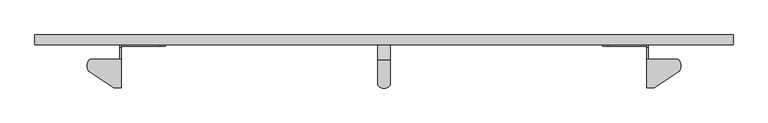
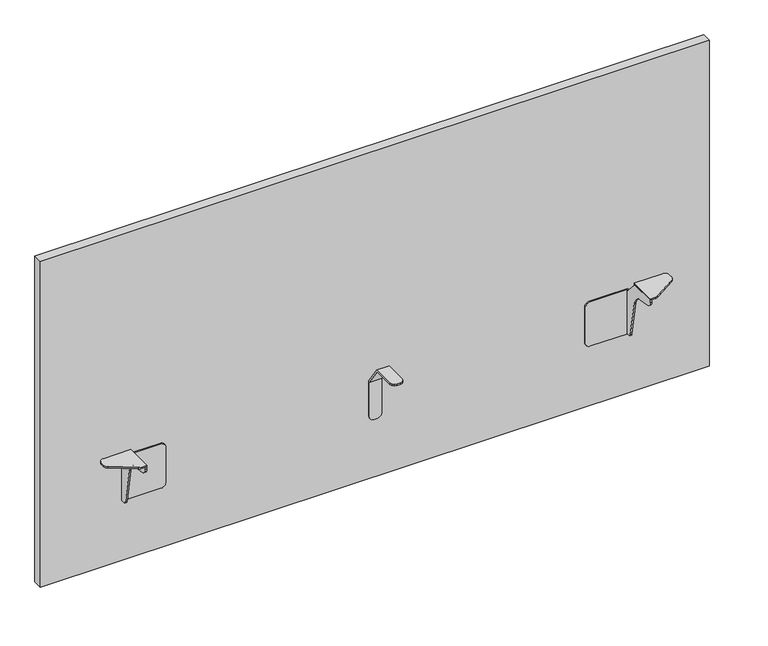
"""IFC4 building model written with IfcOpenShell, lengths in millimetres: furniture geometry."""

import ifcopenshell
import ifcopenshell.guid

model = None  # the IFC model being written
_history = None  # IfcOwnerHistory: only IFC2X3 demands one
_inside = {}  # id of a spatial element -> (the spatial element, [elements in it])
_under = {}  # id of a project, library or spatial element -> (it, [spatial elements below it])
_declared = {}  # id of a project -> (the project, [libraries it declares])
_typed = {}  # id of a type object -> (the type object, [elements of that type])
_made_of = {}  # id of a material, layer set ... -> (it, [elements and type objects made of it])


def new_model(schema):
    """Start an empty IFC model of exactly this schema.

    Asked for "IFC4X3", IfcOpenShell would pick the latest addendum, in which some entities
    have other attributes; the version numbers below select the first issue.
    IFC2X3 requires an IfcOwnerHistory on every rooted entity: one is made here for all.
    """
    global model, _history
    if schema == "IFC4X3":
        model = ifcopenshell.file(schema_version=(4, 3, 0, 0))
    else:
        model = ifcopenshell.file(schema=schema)
    _inside.clear()
    _under.clear()
    _declared.clear()
    _typed.clear()
    _made_of.clear()
    _history = None
    if model.schema == "IFC2X3":
        org = make("IfcOrganization", Name="unknown")
        user = make(
            "IfcPersonAndOrganization",
            ThePerson=make("IfcPerson", FamilyName="unknown"),
            TheOrganization=org,
        )
        app = make(
            "IfcApplication",
            ApplicationDeveloper=org,
            Version="unknown",
            ApplicationFullName="unknown",
            ApplicationIdentifier="unknown",
        )
        _history = make(
            "IfcOwnerHistory",
            OwningUser=user,
            OwningApplication=app,
            ChangeAction="ADDED",
            CreationDate=0,
        )
    return model


def make(cls, **values):
    """One entity of the class cls with the attributes given. An attribute that is None is left unset."""
    return model.create_entity(
        cls, **{name: value for name, value in values.items() if value is not None}
    )


def rooted(cls, **values):
    """An entity with a GlobalId (a new one), such as an element, a storey or a relation."""
    return make(cls, GlobalId=ifcopenshell.guid.new(), OwnerHistory=_history, **values)


def si_unit(unit_type, name, prefix=None):
    """IfcSIUnit, for example si_unit("LENGTHUNIT", "METRE", prefix="MILLI")."""
    return make("IfcSIUnit", UnitType=unit_type, Prefix=prefix, Name=name)


def assignment(units):
    """IfcUnitAssignment: the units of a project."""
    return None if units is None else make("IfcUnitAssignment", Units=units)


def point(xyz):
    """IfcCartesianPoint."""
    return None if xyz is None else make("IfcCartesianPoint", Coordinates=xyz)


def direction(xyz):
    """IfcDirection."""
    return None if xyz is None else make("IfcDirection", DirectionRatios=xyz)


def frame(location, z_axis=None, x_axis=None):
    """IfcAxis2Placement3D, a coordinate frame: its origin and axes. An axis left out is left unset."""
    return make(
        "IfcAxis2Placement3D",
        Location=point(location),
        Axis=direction(z_axis),
        RefDirection=direction(x_axis),
    )


def frame_2d(location, x_axis=None):
    """IfcAxis2Placement2D, a coordinate frame in the plane: its origin and x axis."""
    return make(
        "IfcAxis2Placement2D", Location=point(location), RefDirection=direction(x_axis)
    )


def origin():
    """The frame at (0, 0, 0) with its axes left unset."""
    return frame((0.0, 0.0, 0.0))


def place(relative_to, where):
    """IfcLocalPlacement: puts the frame where relative to a parent placement (None: the world)."""
    return make(
        "IfcLocalPlacement", PlacementRelTo=relative_to, RelativePlacement=where
    )


def context(
    kind, dimensions, precision=None, world=None, true_north=None, identifier=None
):
    """IfcGeometricRepresentationContext, for example the 3D "Model" context."""
    return make(
        "IfcGeometricRepresentationContext",
        ContextIdentifier=identifier,
        ContextType=kind,
        CoordinateSpaceDimension=dimensions,
        Precision=precision,
        WorldCoordinateSystem=world,
        TrueNorth=true_north,
    )


def project(units=None, contexts=None):
    """IfcProject with its units and contexts."""
    return rooted(
        "IfcProject",
        Name="project",
        RepresentationContexts=contexts,
        UnitsInContext=assignment(units),
    )


def spatial(cls, under=None, at=None, **own):
    """A site, building, storey or space (cls), placed at a placement, below another one or the project."""
    s = rooted(cls, ObjectPlacement=at, **own)
    if under is not None:
        _under.setdefault(under.id(), (under, []))[1].append(s)
    return s


def polyline(points):
    """IfcPolyline through the points."""
    return make("IfcPolyline", Points=[point(p) for p in points])


def circle_curve(where, radius):
    """IfcCircle in the frame where."""
    return make("IfcCircle", Position=where, Radius=radius)


def trimmed(basis, trim1, trim2, sense, master):
    """IfcTrimmedCurve: the piece of a basis curve between two trims."""
    return make(
        "IfcTrimmedCurve",
        BasisCurve=basis,
        Trim1=trim1,
        Trim2=trim2,
        SenseAgreement=sense,
        MasterRepresentation=master,
    )


def segment(curve, same_sense, transition):
    """IfcCompositeCurveSegment."""
    return make(
        "IfcCompositeCurveSegment",
        Transition=transition,
        SameSense=same_sense,
        ParentCurve=curve,
    )


def composite_curve(segments, self_intersect=None):
    """IfcCompositeCurve: segments joined end to end."""
    return make("IfcCompositeCurve", Segments=segments, SelfIntersect=self_intersect)


def outline(outer, holes=None, kind="AREA"):
    """IfcArbitraryClosedProfileDef: a profile drawn as a closed curve; with holes, ...WithVoids."""
    if holes is None:
        return make("IfcArbitraryClosedProfileDef", ProfileType=kind, OuterCurve=outer)
    return make(
        "IfcArbitraryProfileDefWithVoids",
        ProfileType=kind,
        OuterCurve=outer,
        InnerCurves=holes,
    )


def extrude(swept, where, along, depth):
    """IfcExtrudedAreaSolid: the profile swept, set in the frame where, extruded along a direction by depth."""
    return make(
        "IfcExtrudedAreaSolid",
        SweptArea=swept,
        Position=where,
        ExtrudedDirection=direction(along),
        Depth=depth,
    )


def faces_of(points, faces, orient=None, outer=None):
    """IfcFace entities. A face is a list of loops; a loop is a list of indices into points, from 0.

    orient and outer hold one flag for each loop. By default every Orientation is true, the
    first loop of a face is its IfcFaceOuterBound and the others are IfcFaceBound.
    """
    made = []
    for i, loops in enumerate(faces):
        bounds = []
        for j, loop in enumerate(loops):
            is_outer = j == 0 if outer is None else outer[i][j]
            bounds.append(
                make(
                    "IfcFaceOuterBound" if is_outer else "IfcFaceBound",
                    Bound=make("IfcPolyLoop", Polygon=[points[k] for k in loop]),
                    Orientation=True if orient is None else orient[i][j],
                )
            )
        made.append(make("IfcFace", Bounds=bounds))
    return made


def faceted_brep(points, faces, orient=None, outer=None, voids=None):
    """IfcFacetedBrep: a solid bounded by flat faces; with voids (closed shells), ...WithVoids."""
    shared = [point(p) for p in points]
    hull = make("IfcClosedShell", CfsFaces=faces_of(shared, faces, orient, outer))
    if voids is None:
        return make("IfcFacetedBrep", Outer=hull)
    return make(
        "IfcFacetedBrepWithVoids",
        Outer=hull,
        Voids=[
            make(cls, CfsFaces=faces_of(shared, fs, o, b)) for cls, fs, o, b in voids
        ],
    )


def shape(context_of_items, identifier, shape_type, items):
    """IfcShapeRepresentation: the items that make up one representation, for example the "Body"."""
    return make(
        "IfcShapeRepresentation",
        ContextOfItems=context_of_items,
        RepresentationIdentifier=identifier,
        RepresentationType=shape_type,
        Items=items,
    )


def source(mapping_origin, context_of_items, identifier, shape_type, items):
    """IfcRepresentationMap: a shape defined once, which mapped items show again and again."""
    return make(
        "IfcRepresentationMap",
        MappingOrigin=mapping_origin,
        MappedRepresentation=shape(context_of_items, identifier, shape_type, items),
    )


def transform(
    local_origin,
    x_axis=None,
    y_axis=None,
    z_axis=None,
    scale=None,
    scale2=None,
    scale3=None,
    uniform=True,
):
    """IfcCartesianTransformationOperator3D, or its non-uniform kind. x_axis, y_axis, z_axis: its Axis1, 2, 3."""
    if uniform:
        return make(
            "IfcCartesianTransformationOperator3D",
            Axis1=direction(x_axis),
            Axis2=direction(y_axis),
            LocalOrigin=point(local_origin),
            Scale=scale,
            Axis3=direction(z_axis),
        )
    return make(
        "IfcCartesianTransformationOperator3DnonUniform",
        Axis1=direction(x_axis),
        Axis2=direction(y_axis),
        LocalOrigin=point(local_origin),
        Scale=scale,
        Axis3=direction(z_axis),
        Scale2=scale2,
        Scale3=scale3,
    )


def mapped(mapping_source, mapping_target):
    """IfcMappedItem: shows the shape of a source again, moved by a transform."""
    return make(
        "IfcMappedItem", MappingSource=mapping_source, MappingTarget=mapping_target
    )


def made_of(thing, what):
    """Note that an element or type object is made of a material, layer set ...; save() writes the relation."""
    if what is not None:
        _made_of.setdefault(what.id(), (what, []))[1].append(thing)
    return thing


def element(
    cls,
    number,
    at=None,
    inside=None,
    cuts=None,
    type_object=None,
    material=None,
    context=None,
    identifier="Body",
    shape_type=None,
    held_by="IfcProductDefinitionShape",
    body=None,
    shapes=None,
    **own,
):
    """One element of the class cls, such as IfcWall. Its Tag is "e" and its number.

    at: its placement. inside: the storey or other place that contains it. cuts: it is an
    opening in that element (IfcRelVoidsElement). A single representation is given by context,
    identifier, shape_type and body (its items); several are given by shapes. held_by: the class
    of the entity that holds the representations. save() writes the other relations.
    """
    e = rooted(cls, Tag="e%d" % number, ObjectPlacement=at, **own)
    if body is not None:
        shapes = [shape(context, identifier, shape_type, body)]
    if shapes is not None:
        e.Representation = make(held_by, Representations=shapes)
    if inside is not None:
        _inside.setdefault(inside.id(), (inside, []))[1].append(e)
    if cuts is not None:
        rooted(
            "IfcRelVoidsElement", RelatingBuildingElement=cuts, RelatedOpeningElement=e
        )
    if type_object is not None:
        _typed.setdefault(type_object.id(), (type_object, []))[1].append(e)
    return made_of(e, material)


def aggregate(whole, parts):
    """IfcRelAggregates: a whole, such as a stair, and the parts it consists of."""
    return rooted("IfcRelAggregates", RelatingObject=whole, RelatedObjects=parts)


def save(model, path):
    """Write the relations noted so far, then the file.

    IfcRelAggregates (storeys below a building ...), IfcRelContainedInSpatialStructure (elements
    in a storey), IfcRelDefinesByType, IfcRelAssociatesMaterial and IfcRelDeclares: one each for
    every whole, place, type object, material and project.
    """
    for whole, parts in _under.values():
        aggregate(whole, parts)
    for where, things in _inside.values():
        rooted(
            "IfcRelContainedInSpatialStructure",
            RelatedElements=things,
            RelatingStructure=where,
        )
    for kind, things in _typed.values():
        rooted("IfcRelDefinesByType", RelatedObjects=things, RelatingType=kind)
    for what, things in _made_of.values():
        rooted("IfcRelAssociatesMaterial", RelatedObjects=things, RelatingMaterial=what)
    for by, libraries in _declared.values():
        rooted("IfcRelDeclares", RelatingContext=by, RelatedDefinitions=libraries)
    model.write(path)


def furniture_47e15629(model_context):
    return source(origin(), model_context, "Body", "SolidModel", [
        faceted_brep([(698.5, -6.7419213, 706.0530516), (698.5, 20.9540671, 666.7334835), (698.5, 20.9540671, 592.4389286), (698.5, 24.003127, 592.4389286), (698.5, 24.003127, 666.7319778), (698.5, -5.6640728, 709.1010487), (698.5, -51.4347833, 709.1010487), (698.5, -51.4347833, 706.0530516), (673.1, -5.6640728, 709.1010487), (673.1, 24.003127, 666.7319778), (673.1, 24.003127, 592.4388382), (673.1, 20.9540671, 592.4388382), (673.1, 20.9540671, 666.7334835), (673.1, -6.7419213, 706.0530516), (673.1, -51.4348737, 706.0530516), (673.1, -51.4348737, 709.1010487), (697.2238909, -56.1973737, 706.0530516), (693.7374758, -59.6837661, 706.0530516), (688.9749758, -60.9598737, 706.0530516), (682.625, -60.9598737, 706.0530516), (677.8625, -59.6837661, 706.0530516), (674.3760849, -56.1973737, 706.0530516), (674.3760849, 20.9540671, 587.6763382), (677.8625, 20.9540671, 584.1899594), (682.625, 20.9540671, 582.9138382), (688.9749758, 20.9540671, 582.9138382), (693.7374758, 20.9540671, 584.1899594), (697.2238909, 20.9540671, 587.6763382), (682.625, 24.003127, 582.9138382), (688.9749758, 24.003127, 582.9138382), (697.2238909, 24.003127, 587.6763382), (693.7374758, 24.003127, 584.1899594), (677.8625, 24.003127, 584.1899594), (674.3760849, 24.003127, 587.6763382), (674.3760849, -56.1973737, 709.1010487), (677.8625, -59.6837661, 709.1010487), (682.625, -60.9598737, 709.1010487), (688.9749758, -60.9598737, 709.1010487), (693.7374758, -59.6837661, 709.1010487), (697.2238909, -56.1973737, 709.1010487)], [[[0, 1, 2, 3, 4, 5, 6, 7]], [[8, 9, 10, 11, 12, 13, 14, 15]], [[13, 0, 7, 16, 17, 18, 19, 20, 21, 14]], [[1, 0, 13, 12]], [[1, 12, 11, 22, 23, 24, 25, 26, 27, 2]], [[25, 24, 28, 29]], [[9, 4, 3, 30, 31, 29, 28, 32, 33, 10]], [[5, 4, 9, 8]], [[5, 8, 15, 34, 35, 36, 37, 38, 39, 6]], [[19, 18, 37, 36]], [[21, 34, 15, 14]], [[35, 20, 19, 36]], [[34, 21, 20, 35]], [[17, 38, 37, 18]], [[39, 16, 7, 6]], [[38, 17, 16, 39]], [[23, 32, 28, 24]], [[32, 23, 22, 33]], [[33, 22, 11, 10]], [[27, 30, 3, 2]], [[30, 27, 26, 31]], [[31, 26, 25, 29]]]),
        extrude(outline(composite_curve([segment(polyline([(-60.8339321, 709.2562472), (-4.1919336, 709.2562472), (-4.1919336, 707.2242492), (18.9220668, 682.3322366), (24.003127, 682.3322366), (24.003127, 587.0822366), (15.8683294, 587.0822366)]), True, "CONTINUOUS"), segment(trimmed(circle_curve(frame_2d((15.8683294, 593.4322163)), 6.3499797), [point((15.8683294, 587.0822366))], [point((9.6148201, 592.3295544))], False, "CARTESIAN"), True, "CONTINUOUS"), segment(polyline([(9.6148201, 592.3295544), (-3.5416378, 666.9435683)]), True, "CONTINUOUS"), segment(trimmed(circle_curve(frame_2d((-29.1889257, 662.4212615)), 26.0429383), [point((-3.5416378, 666.9435683))], [point((-14.6259011, 684.011837))], True, "CARTESIAN"), True, "CONTINUOUS"), segment(trimmed(circle_curve(frame_2d((-29.0414704, 659.7783234)), 28.197018), [point((-14.6259011, 684.011837))], [point((-24.1450901, 687.5469619))], True, "CARTESIAN"), True, "CONTINUOUS"), segment(polyline([(-24.1450901, 687.5469619), (-50.3392461, 692.1657174)]), True, "CONTINUOUS"), segment(trimmed(circle_curve(frame_2d((-48.1338998, 704.6728061)), 12.7000323), [point((-50.3392461, 692.1657174))], [point((-60.8339321, 704.6728061))], False, "CARTESIAN"), True, "CONTINUOUS"), segment(polyline([(-60.8339321, 704.6728061), (-60.8339321, 709.2562472)]), True, "CONTINUOUS")], self_intersect=False)), frame((1200.8612, 0.0, 0.0), z_axis=(1.0, 0.0, 0.0), x_axis=(0.0, 1.0, 0.0)), (0.0, 0.0, 1.0), 3.0479971),
        extrude(outline(composite_curve([segment(polyline([(587.0822366, 1200.8612), (682.3322366, 1200.8612), (682.3322366, 1124.534191)]), True, "CONTINUOUS"), segment(trimmed(circle_curve(frame_2d((672.8072366, 1124.534191)), 9.525), [point((682.3322366, 1124.534191))], [point((672.8072366, 1115.009191))], False, "CARTESIAN"), True, "CONTINUOUS"), segment(polyline([(672.8072366, 1115.009191), (596.6072366, 1115.009191)]), True, "CONTINUOUS"), segment(trimmed(circle_curve(frame_2d((596.6072366, 1124.534191)), 9.525), [point((596.6072366, 1115.009191))], [point((587.0822366, 1124.534191))], False, "CARTESIAN"), True, "CONTINUOUS"), segment(polyline([(587.0822366, 1124.534191), (587.0822366, 1200.8612)]), True, "CONTINUOUS")], self_intersect=False)), frame((0.0, 20.9540671, 0.0), z_axis=(0.0, 1.0, 0.0), x_axis=(0.0, 0.0, 1.0)), (0.0, 0.0, 1.0), 3.0490599),
        extrude(outline(composite_curve([segment(polyline([(1200.8612, -4.1919336), (1257.630191, -4.1919336)]), True, "CONTINUOUS"), segment(trimmed(circle_curve(frame_2d((1257.630191, -13.7169339)), 9.5250003), [point((1257.630191, -4.1919336))], [point((1267.1551913, -13.7169339))], False, "CARTESIAN"), True, "CONTINUOUS"), segment(polyline([(1267.1551913, -13.7169339), (1267.1551913, -21.0834674)]), True, "CONTINUOUS"), segment(trimmed(circle_curve(frame_2d((1257.6301926, -21.0834674)), 9.5249987), [point((1267.1551913, -21.0834674))], [point((1262.8873912, -29.026229))], False, "CARTESIAN"), True, "CONTINUOUS"), segment(polyline([(1262.8873912, -29.026229), (1217.2216839, -59.2516977)]), True, "CONTINUOUS"), segment(trimmed(circle_curve(frame_2d((1211.9644939, -51.308949)), 9.5249831), [point((1217.2216839, -59.2516977))], [point((1211.9644939, -60.8339321))], False, "CARTESIAN"), True, "CONTINUOUS"), segment(polyline([(1211.9644939, -60.8339321), (1200.8612, -60.8339321), (1200.8612, -4.1919336)]), True, "CONTINUOUS")], self_intersect=False)), frame((0.0, 0.0, 709.2562472), z_axis=(0.0, 0.0, 1.0), x_axis=(1.0, 0.0, 0.0)), (0.0, 0.0, 1.0), 3.0479971),
        extrude(outline(composite_curve([segment(polyline([(-60.8339321, 709.2562472), (-4.1919336, 709.2562472), (-4.1919336, 707.2242492), (18.9220668, 682.3322366), (24.003127, 682.3322366), (24.003127, 587.0822366), (15.8683294, 587.0822366)]), True, "CONTINUOUS"), segment(trimmed(circle_curve(frame_2d((15.8683294, 593.4322163)), 6.3499797), [point((15.8683294, 587.0822366))], [point((9.6148201, 592.3295544))], False, "CARTESIAN"), True, "CONTINUOUS"), segment(polyline([(9.6148201, 592.3295544), (-3.5416378, 666.9435683)]), True, "CONTINUOUS"), segment(trimmed(circle_curve(frame_2d((-29.1889257, 662.4212615)), 26.0429383), [point((-3.5416378, 666.9435683))], [point((-14.6259011, 684.011837))], True, "CARTESIAN"), True, "CONTINUOUS"), segment(trimmed(circle_curve(frame_2d((-29.0414704, 659.7783234)), 28.197018), [point((-14.6259011, 684.011837))], [point((-24.1450901, 687.5469619))], True, "CARTESIAN"), True, "CONTINUOUS"), segment(polyline([(-24.1450901, 687.5469619), (-50.3392461, 692.1657174)]), True, "CONTINUOUS"), segment(trimmed(circle_curve(frame_2d((-48.1338998, 704.6728061)), 12.7000323), [point((-50.3392461, 692.1657174))], [point((-60.8339321, 704.6728061))], False, "CARTESIAN"), True, "CONTINUOUS"), segment(polyline([(-60.8339321, 704.6728061), (-60.8339321, 709.2562472)]), True, "CONTINUOUS")], self_intersect=False)), frame((167.6907818, 0.0, 0.0), z_axis=(1.0, 0.0, 0.0), x_axis=(0.0, 1.0, 0.0)), (0.0, 0.0, 1.0), 3.0479971),
        extrude(outline(composite_curve([segment(polyline([(587.0822366, 170.7387789), (587.0822366, 247.0657878)]), True, "CONTINUOUS"), segment(trimmed(circle_curve(frame_2d((596.6072366, 247.0657878)), 9.525), [point((587.0822366, 247.0657878))], [point((596.6072366, 256.5907878))], False, "CARTESIAN"), True, "CONTINUOUS"), segment(polyline([(596.6072366, 256.5907878), (672.8072366, 256.5907878)]), True, "CONTINUOUS"), segment(trimmed(circle_curve(frame_2d((672.8072366, 247.0657878)), 9.525), [point((672.8072366, 256.5907878))], [point((682.3322366, 247.0657878))], False, "CARTESIAN"), True, "CONTINUOUS"), segment(polyline([(682.3322366, 247.0657878), (682.3322366, 170.7387789), (587.0822366, 170.7387789)]), True, "CONTINUOUS")], self_intersect=False)), frame((0.0, 20.9540671, 0.0), z_axis=(0.0, 1.0, 0.0), x_axis=(0.0, 0.0, 1.0)), (0.0, 0.0, 1.0), 3.0490599),
        extrude(outline(composite_curve([segment(polyline([(170.7387789, -4.1919336), (170.7387789, -60.8339321), (159.635485, -60.8339321)]), True, "CONTINUOUS"), segment(trimmed(circle_curve(frame_2d((159.635485, -51.308949)), 9.5249831), [point((159.635485, -60.8339321))], [point((154.3782949, -59.2516977))], False, "CARTESIAN"), True, "CONTINUOUS"), segment(polyline([(154.3782949, -59.2516977), (108.7125877, -29.026229)]), True, "CONTINUOUS"), segment(trimmed(circle_curve(frame_2d((113.9697863, -21.0834674)), 9.5249987), [point((108.7125877, -29.026229))], [point((104.4447876, -21.0834674))], False, "CARTESIAN"), True, "CONTINUOUS"), segment(polyline([(104.4447876, -21.0834674), (104.4447876, -13.7169339)]), True, "CONTINUOUS"), segment(trimmed(circle_curve(frame_2d((113.9697879, -13.7169339)), 9.5250003), [point((104.4447876, -13.7169339))], [point((113.9697879, -4.1919336))], False, "CARTESIAN"), True, "CONTINUOUS"), segment(polyline([(113.9697879, -4.1919336), (170.7387789, -4.1919336)]), True, "CONTINUOUS")], self_intersect=False)), frame((0.0, 0.0, 709.2562472), z_axis=(0.0, 0.0, 1.0), x_axis=(1.0, 0.0, 0.0)), (0.0, 0.0, 1.0), 3.0479971),
        extrude(outline(polyline([(1370.076, 24.003127), (1.524, 24.003127), (1.524, 43.053127), (1370.076, 43.053127), (1370.076, 24.003127)])), frame((0.0, 0.0, 456.7174), z_axis=(0.0, 0.0, 1.0), x_axis=(1.0, 0.0, 0.0)), (0.0, 0.0, 1.0), 704.7992),
    ])


if __name__ == "__main__":
    model = new_model("IFC4")
    model_context = context("Model", 3, world=origin())
    ifc_project = project(units=[si_unit("LENGTHUNIT", "METRE", prefix="MILLI")], contexts=[model_context])
    site = spatial("IfcSite", under=ifc_project)
    building = spatial("IfcBuilding", under=site)
    placement = place(None, origin())
    furniture_shape = furniture_47e15629(model_context)
    element("IfcFurniture", 1, at=placement, inside=building, context=model_context, shape_type="MappedRepresentation", body=[
        mapped(furniture_shape, transform((0.0, 0.0, 0.0), x_axis=(1.0, 0.0, 0.0), y_axis=(0.0, 1.0, 0.0), z_axis=(0.0, 0.0, 1.0))),
    ])
    save(model, "model.ifc")
